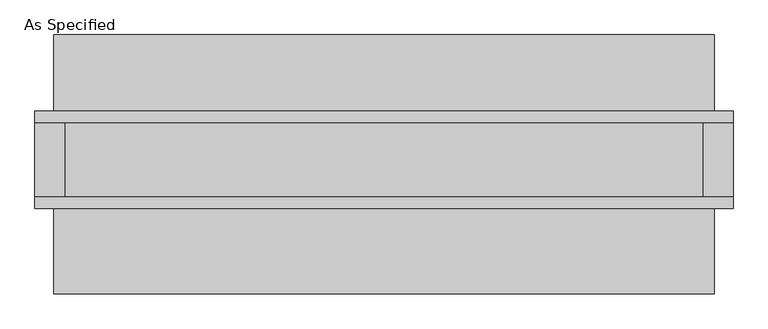
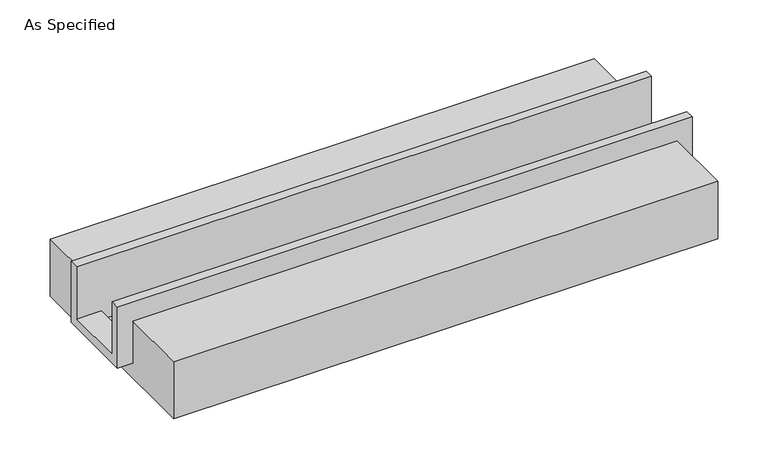
"""IFC4 building model written with IfcOpenShell, lengths in millimetres: proxy geometry, As Specified."""

from ifc_helpers import new_model, si_unit, frame, origin, place, context, project, spatial, polyline, outline, extrude, faceted_brep, source, transform, mapped, element, save


def as_specified_c76af2f9(model_context):
    return source(origin(), model_context, "Body", "SolidModel", [
        faceted_brep([(-2374.9, 285.75, 139.7), (-2374.9, 361.95, 139.7), (-2374.9, 361.95, -393.7), (-2374.9, -298.45, -393.7), (-2374.9, -298.45, 139.7), (-2374.9, -222.25, 139.7), (-2374.9, -222.25, -317.5), (-2374.9, 285.75, -317.5), (2374.9, 285.75, 139.7), (2374.9, 285.75, -317.5), (2374.9, -222.25, -317.5), (2374.9, -222.25, 139.7), (2374.9, -298.45, 139.7), (2374.9, -298.45, -393.7), (2374.9, 361.95, -393.7), (2374.9, 361.95, 139.7), (2171.7, -222.25, -393.7), (2171.7, 285.75, -393.7), (-2171.7, 285.75, -393.7), (-2171.7, -222.25, -393.7), (2171.7, -222.25, -317.5), (-2171.7, -222.25, -317.5), (-2171.7, 285.75, -317.5), (2171.7, 285.75, -317.5)], [[[0, 1, 2, 3, 4, 5, 6, 7]], [[8, 9, 10, 11, 12, 13, 14, 15]], [[1, 0, 8, 15]], [[2, 1, 15, 14]], [[3, 2, 14, 13], [16, 17, 18, 19]], [[4, 3, 13, 12]], [[5, 4, 12, 11]], [[6, 5, 11, 10, 20, 16, 19, 21]], [[7, 6, 21, 22]], [[10, 9, 23, 20]], [[0, 7, 22, 18, 17, 23, 9, 8]], [[16, 20, 23, 17]], [[21, 19, 18, 22]]]),
        extrude(outline(polyline([(882.65, -25.4), (882.65, -523.9742188), (-882.65, -523.9742188), (-882.65, -25.4), (-298.45, -25.4), (-298.45, -393.7), (361.95, -393.7), (361.95, -25.4), (882.65, -25.4)])), frame((-2247.9, 0.0, 0.0), z_axis=(1.0, 0.0, 0.0), x_axis=(0.0, 1.0, 0.0)), (0.0, 0.0, 1.0), 4495.8),
    ])


if __name__ == "__main__":
    model = new_model("IFC4")
    model_context = context("Model", 3, world=origin())
    ifc_project = project(units=[si_unit("LENGTHUNIT", "METRE", prefix="MILLI")], contexts=[model_context])
    site = spatial("IfcSite", under=ifc_project)
    building = spatial("IfcBuilding", under=site)
    placement = place(None, origin())
    as_specified_shape = as_specified_c76af2f9(model_context)
    element("IfcBuildingElementProxy", 1, Name="As Specified", ObjectType="As Specified", at=placement, inside=building, context=model_context, shape_type="MappedRepresentation", body=[
        mapped(as_specified_shape, transform((0.0, 0.0, 0.0), x_axis=(1.0, 0.0, 0.0), y_axis=(0.0, 1.0, 0.0), z_axis=(0.0, 0.0, 1.0))),
    ])
    save(model, "model.ifc")
